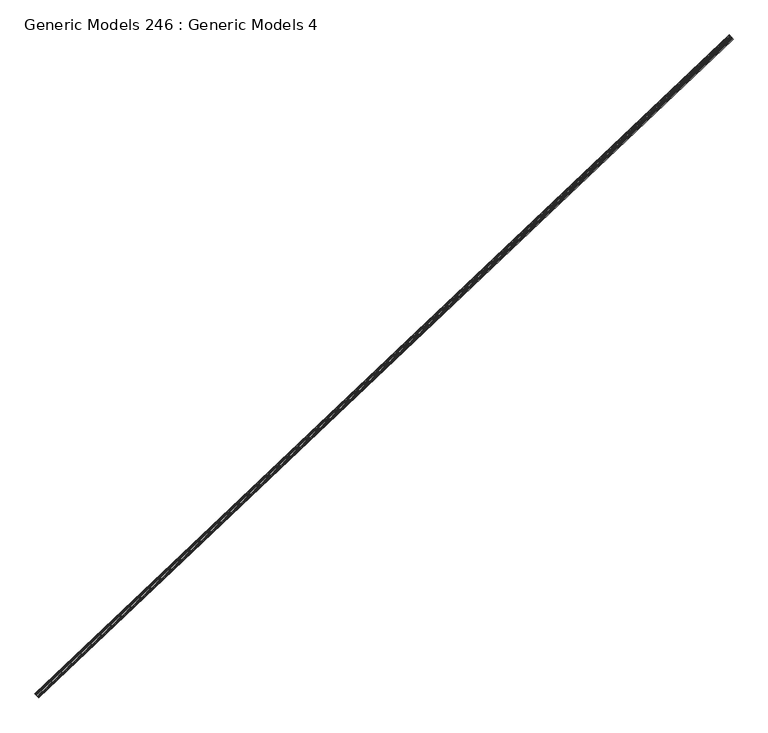
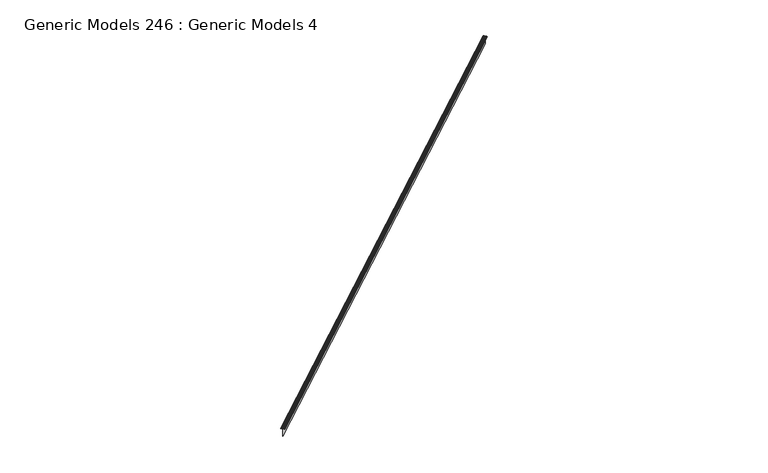
"""IFC4 building model written with IfcOpenShell, lengths in millimetres: proxy geometry, Generic Models 246 : Generic Models 4."""

from ifc_helpers import new_model, si_unit, point, frame, frame_2d, origin, place, context, project, spatial, polyline, circle_curve, trimmed, segment, composite_curve, outline, extrude, source, transform, mapped, element, save


def generic_models_246_generic_models_4_2a27d025(model_context):
    return source(origin(), model_context, "Body", "SweptSolid", [
        extrude(outline(composite_curve([segment(polyline([(0.2907612, -20.2989114), (2.0904889, -16.9994106)]), True, "CONTINUOUS"), segment(trimmed(circle_curve(frame_2d((0.0, -15.859144)), 2.38125), [point((2.0904889, -16.9994106))], [point((2.38125, -15.859144))], True, "CARTESIAN"), True, "CONTINUOUS"), segment(polyline([(2.38125, -15.859144), (2.38125, -12.4158864)]), True, "CONTINUOUS"), segment(trimmed(circle_curve(frame_2d((-3.175, -12.4158864)), 5.55625), [point((2.38125, -12.4158864))], [point((1.9319996, -10.2271724))], True, "CARTESIAN"), True, "CONTINUOUS"), segment(polyline([(1.9319996, -10.2271724), (0.1925359, -6.1684237)]), True, "CONTINUOUS"), segment(trimmed(circle_curve(frame_2d((2.38125, -5.2304034)), 2.38125), [point((0.1925359, -6.1684237))], [point((0.0, -5.2304034))], False, "CARTESIAN"), True, "CONTINUOUS"), segment(polyline([(0.0, -5.2304034), (0.0, -2.778125), (-0.79375, -2.38125), (-7.14375, -2.38125), (-7.8241071, -1.5875001), (-105.965625, -1.5875001), (-107.15625, 0.0), (-105.965625, 1.5875), (-7.8241071, 1.5875), (-7.14375, 2.38125), (-0.79375, 2.38125), (0.0, 2.7781249), (0.0, 5.2304033)]), True, "CONTINUOUS"), segment(trimmed(circle_curve(frame_2d((2.38125, 5.2304033)), 2.38125), [point((0.0, 5.2304033))], [point((0.1925359, 6.1684237))], False, "CARTESIAN"), True, "CONTINUOUS"), segment(polyline([(0.1925359, 6.1684237), (1.9319996, 10.2271722)]), True, "CONTINUOUS"), segment(trimmed(circle_curve(frame_2d((-3.175, 12.4158864)), 5.55625), [point((1.9319996, 10.2271722))], [point((2.38125, 12.4158864))], True, "CARTESIAN"), True, "CONTINUOUS"), segment(polyline([(2.38125, 12.4158864), (2.38125, 15.859144)]), True, "CONTINUOUS"), segment(trimmed(circle_curve(frame_2d((0.0, 15.859144)), 2.38125), [point((2.38125, 15.859144))], [point((2.0904889, 16.9994106))], True, "CARTESIAN"), True, "CONTINUOUS"), segment(polyline([(2.0904889, 16.9994106), (0.2907612, 20.2989113)]), True, "CONTINUOUS"), segment(trimmed(circle_curve(frame_2d((2.38125, 21.439178)), 2.38125), [point((0.2907612, 20.2989113))], [point((0.0, 21.439178))], False, "CARTESIAN"), True, "CONTINUOUS"), segment(polyline([(0.0, 21.439178), (0.0, 25.4), (0.79375, 25.4), (0.79375, 21.439178)]), True, "CONTINUOUS"), segment(trimmed(circle_curve(frame_2d((2.38125, 21.439178)), 1.5875), [point((0.79375, 21.439178))], [point((0.9875908, 20.6790001))], True, "CARTESIAN"), True, "CONTINUOUS"), segment(polyline([(0.9875908, 20.6790001), (2.7873185, 17.3794995)]), True, "CONTINUOUS"), segment(trimmed(circle_curve(frame_2d((0.0, 15.859144)), 3.175), [point((2.7873185, 17.3794995))], [point((3.175, 15.859144))], False, "CARTESIAN"), True, "CONTINUOUS"), segment(polyline([(3.175, 15.859144), (3.175, 12.4158864)]), True, "CONTINUOUS"), segment(trimmed(circle_curve(frame_2d((-3.175, 12.4158864)), 6.35), [point((3.175, 12.4158864))], [point((2.661571, 9.9144988))], False, "CARTESIAN"), True, "CONTINUOUS"), segment(polyline([(2.661571, 9.9144988), (0.79375, 5.55625), (0.79375, 4.7625)]), True, "CONTINUOUS"), segment(trimmed(circle_curve(frame_2d((2.3688477, 1.8355468)), 3.3238513), [point((0.79375, 4.7625))], [point((2.38125, 5.159375))], False, "CARTESIAN"), True, "CONTINUOUS"), segment(polyline([(2.38125, 5.159375), (3.175, 3.5718749), (3.175, -3.571875), (2.38125, -5.159375)]), True, "CONTINUOUS"), segment(trimmed(circle_curve(frame_2d((2.3688477, -1.8355469)), 3.3238513), [point((2.38125, -5.159375))], [point((0.79375, -4.7625001))], False, "CARTESIAN"), True, "CONTINUOUS"), segment(polyline([(0.79375, -4.7625001), (0.79375, -5.55625), (2.661571, -9.9144989)]), True, "CONTINUOUS"), segment(trimmed(circle_curve(frame_2d((-3.175, -12.4158864)), 6.35), [point((2.661571, -9.9144989))], [point((3.175, -12.4158864))], False, "CARTESIAN"), True, "CONTINUOUS"), segment(polyline([(3.175, -12.4158864), (3.175, -15.859144)]), True, "CONTINUOUS"), segment(trimmed(circle_curve(frame_2d((0.0, -15.859144)), 3.175), [point((3.175, -15.859144))], [point((2.7873185, -17.3794996))], False, "CARTESIAN"), True, "CONTINUOUS"), segment(polyline([(2.7873185, -17.3794996), (0.9875908, -20.6790002)]), True, "CONTINUOUS"), segment(trimmed(circle_curve(frame_2d((2.38125, -21.439178)), 1.5875), [point((0.9875908, -20.6790002))], [point((0.79375, -21.439178))], True, "CARTESIAN"), True, "CONTINUOUS"), segment(polyline([(0.79375, -21.439178), (0.79375, -25.4), (0.0, -25.4), (0.0, -21.439178)]), True, "CONTINUOUS"), segment(trimmed(circle_curve(frame_2d((2.38125, -21.439178)), 2.38125), [point((0.0, -21.439178))], [point((0.2907612, -20.2989114))], False, "CARTESIAN"), True, "CONTINUOUS")], self_intersect=False)), frame((103832.4648781, 41664.305763, 18014.6662102), z_axis=(0.7253743710122164, 0.6883545756938292, 0.0), x_axis=(0.0, 0.0, 1.0)), (0.0, 0.0, 1.0), 8321.675),
    ])


if __name__ == "__main__":
    model = new_model("IFC4")
    model_context = context("Model", 3, world=origin())
    ifc_project = project(units=[si_unit("LENGTHUNIT", "METRE", prefix="MILLI")], contexts=[model_context])
    site = spatial("IfcSite", under=ifc_project)
    building = spatial("IfcBuilding", under=site)
    placement = place(None, origin())
    generic_models_246_generic_models_4_shape = generic_models_246_generic_models_4_2a27d025(model_context)
    element("IfcBuildingElementProxy", 1, Name="Generic Models 246 : Generic Models 4", ObjectType="Generic Models 246 : Generic Models 4", at=placement, inside=building, context=model_context, shape_type="MappedRepresentation", body=[
        mapped(generic_models_246_generic_models_4_shape, transform((0.0, 0.0, 0.0), x_axis=(1.0, 0.0, 0.0), y_axis=(0.0, 1.0, 0.0), z_axis=(0.0, 0.0, 1.0))),
    ])
    save(model, "model.ifc")
